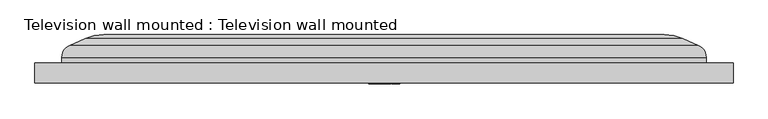
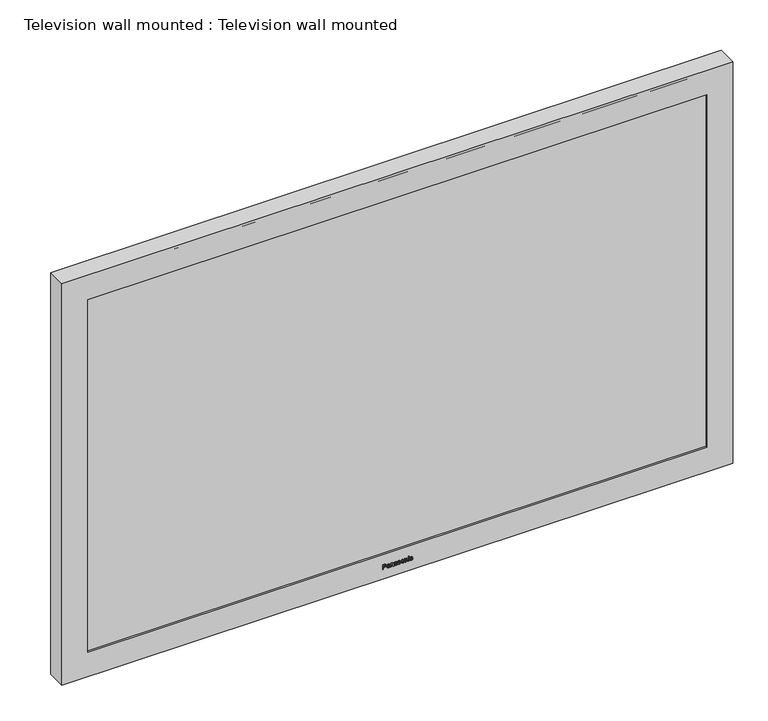
"""IFC4 building model written with IfcOpenShell, lengths in millimetres: furniture geometry, Television wall mounted : Television wall mounted."""

from ifc_helpers import new_model, si_unit, frame, origin, place, context, project, spatial, polyline, ellipse_curve, outline, extrude, faceted_brep, source, transform, mapped, element, save
from ifc_brep_helpers import plane_surface, cylinder_surface, advanced_brep


def television_wall_mounted_television_wall_mounted_07f47aaf(model_context):
    return source(origin(), model_context, "Body", "SolidModel", [
        faceted_brep([(660.4, -204.1921875, 2094.2101562), (-660.4, -204.1921875, 2094.2101562), (-660.4, -204.1921875, 1258.5898437), (660.4, -204.1921875, 1258.5898437), (-609.6, -204.1921875, 1309.3898437), (-609.6, -204.1921875, 2043.4101562), (609.6, -204.1921875, 2043.4101562), (609.6, -204.1921875, 1309.3898437), (660.4, -166.0921875, 2094.2101562), (660.4, -166.0921875, 1258.5898437), (-660.4, -166.0921875, 1258.5898437), (-660.4, -166.0921875, 2094.2101562), (-609.6, -197.8421875, 1309.3898437), (-609.6, -197.8421875, 2043.4101562), (609.6, -197.8421875, 2043.4101562), (609.6, -197.8421875, 1309.3898437)], [[[0, 1, 2, 3], [4, 5, 6, 7]], [[8, 9, 10, 11]], [[1, 0, 8, 11]], [[2, 1, 11, 10]], [[3, 2, 10, 9]], [[0, 3, 9, 8]], [[5, 4, 12, 13]], [[6, 5, 13, 14]], [[7, 6, 14, 15]], [[4, 7, 15, 12]], [[13, 12, 15, 14]]]),
        extrude(outline(polyline([(1279.2273437, -29.3076923), (1279.2273437, -28.1353846), (1283.0373437, -28.1353846), (1283.0373437, -25.751845), (1283.8662019, -23.0282903), (1285.8925541, -22.2738462), (1287.1713311, -22.5531851), (1288.0780379, -23.2916016), (1288.5165084, -24.4307091), (1288.6058053, -25.8319832), (1288.6058053, -29.3076923), (1279.2273437, -29.3076923)]), holes=[polyline([(1284.2096514, -28.1353846), (1287.4334976, -28.1353846), (1287.4334976, -25.710631), (1287.3533594, -24.5383233), (1286.8221575, -23.7472446), (1285.8513401, -23.4461538), (1284.6401082, -23.9567488), (1284.2096514, -25.683155), (1284.2096514, -28.1353846)])]), frame((0.0, -205.7796875, 0.0), z_axis=(0.0, 1.0, 0.0), x_axis=(0.0, 0.0, 1.0)), (0.0, 0.0, 1.0), 1.5875),
        extrude(outline(polyline([(1280.1065745, -16.4123077), (1279.2273437, -16.1192308), (1279.2273437, -14.9469231), (1280.2130439, -15.1804687), (1282.2496995, -15.24), (1283.7082151, -15.24), (1284.7339844, -15.2972416), (1285.5296424, -15.6567187), (1286.0528305, -16.4592458), (1286.2611899, -17.879982), (1286.0253546, -19.4266496), (1285.3544832, -20.4478395), (1284.2096514, -20.955), (1284.063113, -19.7826923), (1284.8633504, -19.2171454), (1285.0888822, -18.0310998), (1284.750012, -16.7351502), (1283.6234976, -16.4191767), (1283.2205168, -18.4523978), (1283.0442127, -19.4667187), (1282.6595493, -20.2875631), (1281.9863882, -20.8771514), (1281.0590745, -21.1015385), (1279.6371935, -20.5073708), (1279.0808053, -18.805006), (1279.3120613, -17.5491256), (1280.1065745, -16.4123077)]), holes=[polyline([(1282.2851893, -16.4157422), (1281.212482, -16.6046394), (1280.5335968, -17.369387), (1280.253113, -18.5554327), (1281.9016707, -19.3121665), (1282.0917127, -18.3035697), (1282.2851893, -16.4157422)])]), frame((0.0, -205.7796875, 0.0), z_axis=(0.0, 1.0, 0.0), x_axis=(0.0, 0.0, 1.0)), (0.0, 0.0, 1.0), 1.5875),
        extrude(outline(polyline([(1279.2273437, -13.6280769), (1279.2273437, -12.4557692), (1282.8816466, -12.4557692), (1284.6286599, -11.9211328), (1285.0888822, -10.6492248), (1284.3355829, -9.3670132), (1283.2983654, -9.2319231), (1279.2273437, -9.2319231), (1279.2273437, -8.0596154), (1283.4563522, -8.0596154), (1284.5897356, -8.1214363), (1285.4517939, -8.4728996), (1286.0379477, -9.2284886), (1286.2611899, -10.3355409), (1285.1529928, -12.4557692), (1286.1146514, -12.4557692), (1286.1146514, -13.6280769), (1279.2273437, -13.6280769)])), frame((0.0, -205.7796875, 0.0), z_axis=(0.0, 1.0, 0.0), x_axis=(0.0, 0.0, 1.0)), (0.0, 0.0, 1.0), 1.5875),
        extrude(outline(polyline([(1280.1065745, -2.0515385), (1279.2273437, -1.7584615), (1279.2273437, -0.5861538), (1280.2130439, -0.8196995), (1282.2496995, -0.8792308), (1283.7082151, -0.8792308), (1284.7339844, -0.9364724), (1285.5296424, -1.2959495), (1286.0528305, -2.0984766), (1286.2611899, -3.5192127), (1286.0253546, -5.0658804), (1285.3544832, -6.0870703), (1284.2096514, -6.5942308), (1284.063113, -5.4219231), (1284.8633504, -4.8563762), (1285.0888822, -3.6703305), (1284.750012, -2.374381), (1283.6234976, -2.0584075), (1283.2205168, -4.0916286), (1283.0442127, -5.1059495), (1282.6595493, -5.9267939), (1281.9863882, -6.5163822), (1281.0590745, -6.7407692), (1279.6371935, -6.1466016), (1279.0808053, -4.4442368), (1279.3120613, -3.1883564), (1280.1065745, -2.0515385)]), holes=[polyline([(1282.2851893, -2.054973), (1281.212482, -2.2438702), (1280.5335968, -3.0086178), (1280.253113, -4.1946635), (1281.9016707, -4.9513972), (1282.0917127, -3.9428005), (1282.2851893, -2.054973)])]), frame((0.0, -205.7796875, 0.0), z_axis=(0.0, 1.0, 0.0), x_axis=(0.0, 0.0, 1.0)), (0.0, 0.0, 1.0), 1.5875),
        extrude(outline(polyline([(1281.2788822, 0.2930769), (1279.6349038, 1.190625), (1279.0808053, 3.2352945), (1279.3681581, 4.6869411), (1280.1821334, 5.6680619), (1281.3040685, 6.0080769), (1282.3229687, 5.7184345), (1282.9480469, 4.9193419), (1283.4998558, 3.1986599), (1284.8667849, 1.9485036), (1285.0888822, 3.0704387), (1284.8564814, 4.1019321), (1284.2096514, 4.5426923), (1284.3561899, 5.715), (1285.4082903, 5.3120192), (1286.0310787, 4.4053125), (1286.2611899, 2.9788522), (1286.1180859, 1.9702554), (1285.7712019, 1.22497), (1285.103765, 0.6502644), (1284.2302584, 0.4396154), (1283.2846274, 0.7017819), (1282.6149008, 1.4722536), (1282.0413401, 3.2375841), (1280.5301623, 4.4465264), (1280.253113, 3.2513221), (1280.5553486, 2.0080349), (1281.4254207, 1.4653846), (1281.2788822, 0.2930769)])), frame((0.0, -205.7796875, 0.0), z_axis=(0.0, 1.0, 0.0), x_axis=(0.0, 0.0, 1.0)), (0.0, 0.0, 1.0), 1.5875),
        extrude(outline(polyline([(1282.6709976, 7.0338462), (1280.0058293, 7.8844561), (1279.0808053, 10.1134435), (1279.5009585, 11.7013251), (1280.68128, 12.8083774), (1282.7671635, 13.1884615), (1285.3327314, 12.3286929), (1286.2611899, 10.1134435), (1285.498732, 8.0481671), (1282.6709976, 7.0338462)]), holes=[polyline([(1282.6732873, 8.2061538), (1284.4878456, 8.7488041), (1285.0888822, 10.1134435), (1284.4855559, 11.4700691), (1282.7099219, 12.0161538), (1280.8598738, 11.4735036), (1280.253113, 10.1134435), (1280.8564393, 8.7488041), (1282.6732873, 8.2061538)])]), frame((0.0, -205.7796875, 0.0), z_axis=(0.0, 1.0, 0.0), x_axis=(0.0, 0.0, 1.0)), (0.0, 0.0, 1.0), 1.5875),
        extrude(outline(polyline([(1279.2273437, 14.5073077), (1279.2273437, 15.6796154), (1282.8816466, 15.6796154), (1284.6286599, 16.2142518), (1285.0888822, 17.4861599), (1284.3355829, 18.7683714), (1283.2983654, 18.9034615), (1279.2273437, 18.9034615), (1279.2273437, 20.0757692), (1283.4563522, 20.0757692), (1284.5897356, 20.0139483), (1285.4517939, 19.662485), (1286.0379477, 18.906896), (1286.2611899, 17.7998438), (1285.1529928, 15.6796154), (1286.1146514, 15.6796154), (1286.1146514, 14.5073077), (1279.2273437, 14.5073077)])), frame((0.0, -205.7796875, 0.0), z_axis=(0.0, 1.0, 0.0), x_axis=(0.0, 0.0, 1.0)), (0.0, 0.0, 1.0), 1.5875),
        extrude(outline(polyline([(22.86, -205.7796875), (21.6876923, -205.7796875), (21.6876923, -204.1921875), (22.86, -204.1921875), (22.86, -205.7796875)])), frame((0.0, 0.0, 1287.4334976), z_axis=(0.0, 0.0, 1.0), x_axis=(1.0, 0.0, 0.0)), (0.0, 0.0, 1.0), 1.1723077),
        extrude(outline(polyline([(22.86, -205.7796875), (21.6876923, -205.7796875), (21.6876923, -204.1921875), (22.86, -204.1921875), (22.86, -205.7796875)])), frame((0.0, 0.0, 1279.2273437), z_axis=(0.0, 0.0, 1.0), x_axis=(1.0, 0.0, 0.0)), (0.0, 0.0, 1.0), 6.8873077),
        extrude(outline(polyline([(1281.7184976, 29.0146154), (1280.6125901, 28.452503), (1280.253113, 27.3477404), (1280.8289633, 26.0094321), (1282.6778666, 25.4976923), (1284.5095974, 26.0208804), (1285.0888822, 27.3797957), (1284.7946605, 28.3242819), (1283.9165745, 28.8680769), (1284.063113, 30.0403846), (1285.688774, 29.15314), (1286.2611899, 27.370637), (1285.8444712, 25.7758864), (1284.5931701, 24.6837169), (1282.6458113, 24.3253846), (1280.0023948, 25.1645463), (1279.0808053, 27.3866647), (1279.7413732, 29.2458714), (1281.5719591, 30.1869231), (1281.7184976, 29.0146154)])), frame((0.0, -205.7796875, 0.0), z_axis=(0.0, 1.0, 0.0), x_axis=(0.0, 0.0, 1.0)), (0.0, 0.0, 1.0), 1.5875),
        extrude(outline(polyline([(-609.6, -197.8421875), (609.6, -197.8421875), (609.6, -201.0171875), (-609.6, -201.0171875), (-609.6, -197.8421875)])), frame((0.0, 0.0, 1309.3898437), z_axis=(0.0, 0.0, 1.0), x_axis=(1.0, 0.0, 0.0)), (0.0, 0.0, 1.0), 734.0203125),
        advanced_brep(
        [(529.7240013, -112.7125, 1963.5341576), (529.7240013, -112.7125, 1389.2658424), (-529.7240013, -112.7125, 1389.2658424), (-529.7240013, -112.7125, 1963.5341576), (609.6, -166.0921875, 1309.3898437), (609.6, -166.0921875, 2043.4101562), (-609.6, -166.0921875, 2043.4101562), (-609.6, -166.0921875, 1309.3898437), (594.3277789, -132.7621419, 2028.1379351), (609.6, -156.0556623, 2043.4101562), (609.6, -156.0556623, 1309.3898437), (594.3277789, -132.7621419, 1324.6620649), (565.1712275, -120.0851785, 1353.8186163), (565.1712275, -120.0851785, 1998.9813837), (-609.6, -156.0556623, 1309.3898437), (-594.3277789, -132.7621419, 1324.6620649), (-565.1712275, -120.0851785, 1353.8186163), (-609.6, -156.0556623, 2043.4101562), (-594.3277789, -132.7621419, 2028.1379351), (-565.1712275, -120.0851785, 1998.9813837)],
        [
            (0, 1),
            (1, 2),
            (2, 3),
            (3, 0),
            (4, 5),
            (5, 6),
            (6, 7),
            (7, 4),
            (8, 9, ellipse_curve(frame((584.2, -156.0556623, 2018.0101562), z_axis=(0.7071067811865474, 0.0, -0.7071067811865476), x_axis=(0.7071067811865475, 0.0, 0.7071067811865475)), 35.9210245, 25.4)),
            (9, 10),
            (10, 11, ellipse_curve(frame((584.2, -156.0556623, 1334.7898437), z_axis=(0.7071067811865476, 0.0, 0.7071067811865474), x_axis=(-0.7071067811865471, 0.0, 0.7071067811865478)), 35.9210245, 25.4)),
            (11, 8),
            (11, 12),
            (12, 13),
            (13, 8),
            (12, 1, ellipse_curve(frame((529.7240013, -201.6125, 1389.2658424), z_axis=(0.7071067811865476, 0.0, 0.7071067811865474), x_axis=(-0.7071067811865471, 0.0, 0.7071067811865478)), 125.7235857, 88.9)),
            (0, 13, ellipse_curve(frame((529.7240013, -201.6125, 1963.5341576), z_axis=(0.7071067811865474, 0.0, -0.7071067811865476), x_axis=(0.7071067811865475, 0.0, 0.7071067811865475)), 125.7235857, 88.9)),
            (9, 5),
            (4, 10),
            (10, 14),
            (14, 15, ellipse_curve(frame((-584.2, -156.0556623, 1334.7898437), z_axis=(0.7071067811865474, 0.0, -0.7071067811865476), x_axis=(0.7071067811865478, 0.0, 0.7071067811865472)), 35.9210245, 25.4)),
            (15, 11),
            (15, 16),
            (16, 12),
            (16, 2, ellipse_curve(frame((-529.7240013, -201.6125, 1389.2658424), z_axis=(0.7071067811865474, 0.0, -0.7071067811865476), x_axis=(0.7071067811865478, 0.0, 0.7071067811865472)), 125.7235857, 88.9)),
            (7, 14),
            (14, 17),
            (17, 18, ellipse_curve(frame((-584.2, -156.0556623, 2018.0101562), z_axis=(-0.7071067811865476, 0.0, -0.7071067811865474), x_axis=(0.7071067811865472, 0.0, -0.7071067811865478)), 35.9210245, 25.4)),
            (18, 15),
            (18, 19),
            (19, 16),
            (19, 3, ellipse_curve(frame((-529.7240013, -201.6125, 1963.5341576), z_axis=(-0.7071067811865476, 0.0, -0.7071067811865474), x_axis=(0.7071067811865472, 0.0, -0.7071067811865478)), 125.7235857, 88.9)),
            (6, 17),
            (8, 18),
            (17, 9),
            (13, 19),
        ],
        [
            plane_surface(frame((-524.9286743, -112.7125, 1958.7388305), z_axis=(0.0, 1.0, 0.0), x_axis=(1.0, 0.0, 0.0))),
            plane_surface(frame((-524.9286743, -166.0921875, 1958.7388305), z_axis=(0.0, -1.0, 0.0), x_axis=(-1.0, 0.0, 0.0))),
            cylinder_surface(frame((584.2, -156.0556623, 2043.4101562), z_axis=(0.0, 0.0, 1.0), x_axis=(1.0, 0.0, 0.0)), 25.4),
            plane_surface(frame((594.3277789, -132.7621419, 2028.1379351), z_axis=(0.3987314526476311, 0.9170677339594443, 0.0), x_axis=(0.0, 0.0, -1.0))),
            cylinder_surface(frame((529.7240013, -201.6125, 2043.4101562), z_axis=(0.0, 0.0, 1.0), x_axis=(1.0, 0.0, 0.0)), 88.9),
            plane_surface(frame((609.6, -166.0921875, 2043.4101562), z_axis=(1.0, 0.0, 0.0), x_axis=(0.0, 0.0, -1.0))),
            cylinder_surface(frame((609.6, -156.0556623, 1334.7898437), z_axis=(1.0, 0.0, 0.0), x_axis=(0.0, 0.0, -1.0)), 25.4),
            plane_surface(frame((594.3277789, -132.7621419, 1324.6620649), z_axis=(0.0, 0.9170677339594443, -0.39873145264763116), x_axis=(-1.0, 0.0, 0.0))),
            cylinder_surface(frame((609.6, -201.6125, 1389.2658424), z_axis=(1.0, 0.0, 0.0), x_axis=(0.0, 0.0, -1.0)), 88.9),
            plane_surface(frame((609.6, -166.0921875, 1309.3898437), z_axis=(0.0, 0.0, -1.0), x_axis=(-1.0, 0.0, 0.0))),
            cylinder_surface(frame((-584.2, -156.0556623, 1309.3898437), z_axis=(0.0, 0.0, -1.0), x_axis=(-1.0, 0.0, 0.0)), 25.4),
            plane_surface(frame((-594.3277789, -132.7621419, 1324.6620649), z_axis=(-0.39873145264763116, 0.9170677339594443, 0.0), x_axis=(0.0, 0.0, 1.0))),
            cylinder_surface(frame((-529.7240013, -201.6125, 1309.3898437), z_axis=(0.0, 0.0, -1.0), x_axis=(-1.0, 0.0, 0.0)), 88.9),
            plane_surface(frame((-609.6, -166.0921875, 1309.3898437), z_axis=(-1.0, 0.0, 0.0), x_axis=(0.0, 0.0, 1.0))),
            cylinder_surface(frame((-609.6, -156.0556623, 2018.0101562), z_axis=(-1.0, 0.0, 0.0), x_axis=(0.0, 0.0, 1.0)), 25.4),
            plane_surface(frame((-594.3277789, -132.7621419, 2028.1379351), z_axis=(0.0, 0.9170677339594443, 0.3987314526476311), x_axis=(1.0, 0.0, 0.0))),
            cylinder_surface(frame((-609.6, -201.6125, 1963.5341576), z_axis=(-1.0, 0.0, 0.0), x_axis=(0.0, 0.0, 1.0)), 88.9),
            plane_surface(frame((-609.6, -166.0921875, 2043.4101562), z_axis=(0.0, 0.0, 1.0), x_axis=(1.0, 0.0, 0.0))),
        ],
        [
            (0, [[1, 2, 3, 4]]),
            (1, [[5, 6, 7, 8]]),
            (2, [[9, 10, 11, 12]]),
            (3, [[-12, 13, 14, 15]]),
            (4, [[-14, 16, -1, 17]]),
            (5, [[-10, 18, -5, 19]]),
            (6, [[-11, 20, 21, 22]]),
            (7, [[-13, -22, 23, 24]]),
            (8, [[-16, -24, 25, -2]]),
            (9, [[-19, -8, 26, -20]]),
            (10, [[-21, 27, 28, 29]]),
            (11, [[-23, -29, 30, 31]]),
            (12, [[-25, -31, 32, -3]]),
            (13, [[-26, -7, 33, -27]]),
            (14, [[-9, 34, -28, 35]]),
            (15, [[-15, 36, -30, -34]]),
            (16, [[-17, -4, -32, -36]]),
            (17, [[-18, -35, -33, -6]]),
        ],
    ),
    ])


if __name__ == "__main__":
    model = new_model("IFC4")
    model_context = context("Model", 3, world=origin())
    ifc_project = project(units=[si_unit("LENGTHUNIT", "METRE", prefix="MILLI")], contexts=[model_context])
    site = spatial("IfcSite", under=ifc_project)
    building = spatial("IfcBuilding", under=site)
    placement = place(None, origin())
    television_wall_mounted_television_wall_mounted_shape = television_wall_mounted_television_wall_mounted_07f47aaf(model_context)
    element("IfcFurniture", 1, ObjectType="Television wall mounted : Television wall mounted", at=placement, inside=building, context=model_context, shape_type="MappedRepresentation", body=[
        mapped(television_wall_mounted_television_wall_mounted_shape, transform((0.0, 0.0, 0.0), x_axis=(1.0, 0.0, 0.0), y_axis=(0.0, 1.0, 0.0), z_axis=(0.0, 0.0, 1.0))),
    ])
    save(model, "model.ifc")
